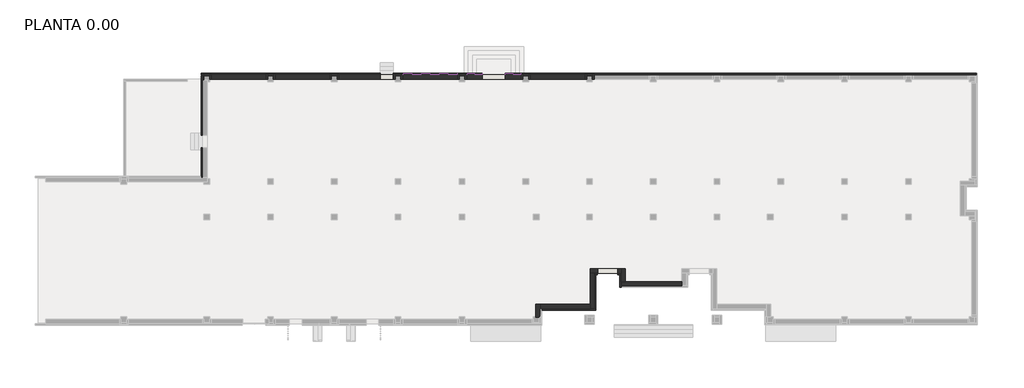
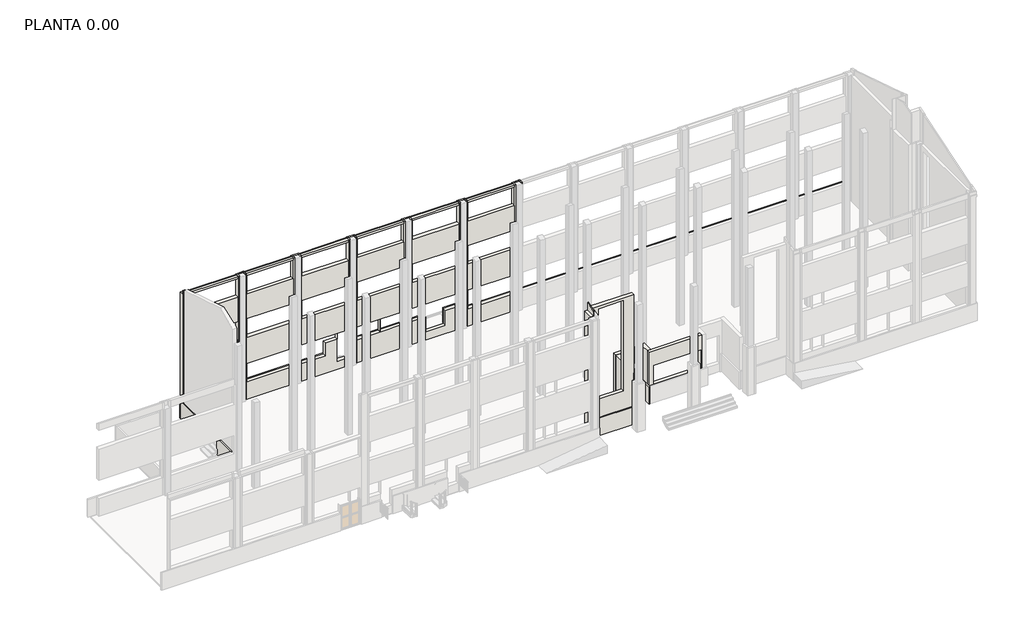
# One storey, part 3 of 6: 43 walls.
"""IFC4 building model written with IfcOpenShell, lengths in millimetres."""

import ifcopenshell
import ifcopenshell.guid

model = None  # the IFC model being written
_history = None  # IfcOwnerHistory: only IFC2X3 demands one
_inside = {}  # id of a spatial element -> (the spatial element, [elements in it])
_under = {}  # id of a project, library or spatial element -> (it, [spatial elements below it])
_declared = {}  # id of a project -> (the project, [libraries it declares])
_typed = {}  # id of a type object -> (the type object, [elements of that type])
_made_of = {}  # id of a material, layer set ... -> (it, [elements and type objects made of it])


def new_model(schema):
    """Start an empty IFC model of exactly this schema.

    Asked for "IFC4X3", IfcOpenShell would pick the latest addendum, in which some entities
    have other attributes; the version numbers below select the first issue.
    IFC2X3 requires an IfcOwnerHistory on every rooted entity: one is made here for all.
    """
    global model, _history
    if schema == "IFC4X3":
        model = ifcopenshell.file(schema_version=(4, 3, 0, 0))
    else:
        model = ifcopenshell.file(schema=schema)
    _inside.clear()
    _under.clear()
    _declared.clear()
    _typed.clear()
    _made_of.clear()
    _history = None
    if model.schema == "IFC2X3":
        org = make("IfcOrganization", Name="unknown")
        user = make(
            "IfcPersonAndOrganization",
            ThePerson=make("IfcPerson", FamilyName="unknown"),
            TheOrganization=org,
        )
        app = make(
            "IfcApplication",
            ApplicationDeveloper=org,
            Version="unknown",
            ApplicationFullName="unknown",
            ApplicationIdentifier="unknown",
        )
        _history = make(
            "IfcOwnerHistory",
            OwningUser=user,
            OwningApplication=app,
            ChangeAction="ADDED",
            CreationDate=0,
        )
    return model


def make(cls, **values):
    """One entity of the class cls with the attributes given. An attribute that is None is left unset."""
    return model.create_entity(
        cls, **{name: value for name, value in values.items() if value is not None}
    )


def rooted(cls, **values):
    """An entity with a GlobalId (a new one), such as an element, a storey or a relation."""
    return make(cls, GlobalId=ifcopenshell.guid.new(), OwnerHistory=_history, **values)


def si_unit(unit_type, name, prefix=None):
    """IfcSIUnit, for example si_unit("LENGTHUNIT", "METRE", prefix="MILLI")."""
    return make("IfcSIUnit", UnitType=unit_type, Prefix=prefix, Name=name)


def assignment(units):
    """IfcUnitAssignment: the units of a project."""
    return None if units is None else make("IfcUnitAssignment", Units=units)


def point(xyz):
    """IfcCartesianPoint."""
    return None if xyz is None else make("IfcCartesianPoint", Coordinates=xyz)


def direction(xyz):
    """IfcDirection."""
    return None if xyz is None else make("IfcDirection", DirectionRatios=xyz)


def frame(location, z_axis=None, x_axis=None):
    """IfcAxis2Placement3D, a coordinate frame: its origin and axes. An axis left out is left unset."""
    return make(
        "IfcAxis2Placement3D",
        Location=point(location),
        Axis=direction(z_axis),
        RefDirection=direction(x_axis),
    )


def origin():
    """The frame at (0, 0, 0) with its axes left unset."""
    return frame((0.0, 0.0, 0.0))


def origin_with_axes():
    """The frame at (0, 0, 0) with the z axis (0, 0, 1) and the x axis (1, 0, 0) written out."""
    return frame((0.0, 0.0, 0.0), z_axis=(0.0, 0.0, 1.0), x_axis=(1.0, 0.0, 0.0))


def place(relative_to, where):
    """IfcLocalPlacement: puts the frame where relative to a parent placement (None: the world)."""
    return make(
        "IfcLocalPlacement", PlacementRelTo=relative_to, RelativePlacement=where
    )


def context(
    kind, dimensions, precision=None, world=None, true_north=None, identifier=None
):
    """IfcGeometricRepresentationContext, for example the 3D "Model" context."""
    return make(
        "IfcGeometricRepresentationContext",
        ContextIdentifier=identifier,
        ContextType=kind,
        CoordinateSpaceDimension=dimensions,
        Precision=precision,
        WorldCoordinateSystem=world,
        TrueNorth=true_north,
    )


def project(units=None, contexts=None):
    """IfcProject with its units and contexts."""
    return rooted(
        "IfcProject",
        Name="project",
        RepresentationContexts=contexts,
        UnitsInContext=assignment(units),
    )


def spatial(cls, under=None, at=None, **own):
    """A site, building, storey or space (cls), placed at a placement, below another one or the project."""
    s = rooted(cls, ObjectPlacement=at, **own)
    if under is not None:
        _under.setdefault(under.id(), (under, []))[1].append(s)
    return s


def polyline(points):
    """IfcPolyline through the points."""
    return make("IfcPolyline", Points=[point(p) for p in points])


def outline(outer, holes=None, kind="AREA"):
    """IfcArbitraryClosedProfileDef: a profile drawn as a closed curve; with holes, ...WithVoids."""
    if holes is None:
        return make("IfcArbitraryClosedProfileDef", ProfileType=kind, OuterCurve=outer)
    return make(
        "IfcArbitraryProfileDefWithVoids",
        ProfileType=kind,
        OuterCurve=outer,
        InnerCurves=holes,
    )


def extrude(swept, where, along, depth):
    """IfcExtrudedAreaSolid: the profile swept, set in the frame where, extruded along a direction by depth."""
    return make(
        "IfcExtrudedAreaSolid",
        SweptArea=swept,
        Position=where,
        ExtrudedDirection=direction(along),
        Depth=depth,
    )


def faces_of(points, faces, orient=None, outer=None):
    """IfcFace entities. A face is a list of loops; a loop is a list of indices into points, from 0.

    orient and outer hold one flag for each loop. By default every Orientation is true, the
    first loop of a face is its IfcFaceOuterBound and the others are IfcFaceBound.
    """
    made = []
    for i, loops in enumerate(faces):
        bounds = []
        for j, loop in enumerate(loops):
            is_outer = j == 0 if outer is None else outer[i][j]
            bounds.append(
                make(
                    "IfcFaceOuterBound" if is_outer else "IfcFaceBound",
                    Bound=make("IfcPolyLoop", Polygon=[points[k] for k in loop]),
                    Orientation=True if orient is None else orient[i][j],
                )
            )
        made.append(make("IfcFace", Bounds=bounds))
    return made


def faceted_brep(points, faces, orient=None, outer=None, voids=None):
    """IfcFacetedBrep: a solid bounded by flat faces; with voids (closed shells), ...WithVoids."""
    shared = [point(p) for p in points]
    hull = make("IfcClosedShell", CfsFaces=faces_of(shared, faces, orient, outer))
    if voids is None:
        return make("IfcFacetedBrep", Outer=hull)
    return make(
        "IfcFacetedBrepWithVoids",
        Outer=hull,
        Voids=[
            make(cls, CfsFaces=faces_of(shared, fs, o, b)) for cls, fs, o, b in voids
        ],
    )


def shape(context_of_items, identifier, shape_type, items):
    """IfcShapeRepresentation: the items that make up one representation, for example the "Body"."""
    return make(
        "IfcShapeRepresentation",
        ContextOfItems=context_of_items,
        RepresentationIdentifier=identifier,
        RepresentationType=shape_type,
        Items=items,
    )


def made_of(thing, what):
    """Note that an element or type object is made of a material, layer set ...; save() writes the relation."""
    if what is not None:
        _made_of.setdefault(what.id(), (what, []))[1].append(thing)
    return thing


def element(
    cls,
    number,
    at=None,
    inside=None,
    cuts=None,
    type_object=None,
    material=None,
    context=None,
    identifier="Body",
    shape_type=None,
    held_by="IfcProductDefinitionShape",
    body=None,
    shapes=None,
    **own,
):
    """One element of the class cls, such as IfcWall. Its Tag is "e" and its number.

    at: its placement. inside: the storey or other place that contains it. cuts: it is an
    opening in that element (IfcRelVoidsElement). A single representation is given by context,
    identifier, shape_type and body (its items); several are given by shapes. held_by: the class
    of the entity that holds the representations. save() writes the other relations.
    """
    e = rooted(cls, Tag="e%d" % number, ObjectPlacement=at, **own)
    if body is not None:
        shapes = [shape(context, identifier, shape_type, body)]
    if shapes is not None:
        e.Representation = make(held_by, Representations=shapes)
    if inside is not None:
        _inside.setdefault(inside.id(), (inside, []))[1].append(e)
    if cuts is not None:
        rooted(
            "IfcRelVoidsElement", RelatingBuildingElement=cuts, RelatedOpeningElement=e
        )
    if type_object is not None:
        _typed.setdefault(type_object.id(), (type_object, []))[1].append(e)
    return made_of(e, material)


def aggregate(whole, parts):
    """IfcRelAggregates: a whole, such as a stair, and the parts it consists of."""
    return rooted("IfcRelAggregates", RelatingObject=whole, RelatedObjects=parts)


def save(model, path):
    """Write the relations noted so far, then the file.

    IfcRelAggregates (storeys below a building ...), IfcRelContainedInSpatialStructure (elements
    in a storey), IfcRelDefinesByType, IfcRelAssociatesMaterial and IfcRelDeclares: one each for
    every whole, place, type object, material and project.
    """
    for whole, parts in _under.values():
        aggregate(whole, parts)
    for where, things in _inside.values():
        rooted(
            "IfcRelContainedInSpatialStructure",
            RelatedElements=things,
            RelatingStructure=where,
        )
    for kind, things in _typed.values():
        rooted("IfcRelDefinesByType", RelatedObjects=things, RelatingType=kind)
    for what, things in _made_of.values():
        rooted("IfcRelAssociatesMaterial", RelatedObjects=things, RelatingMaterial=what)
    for by, libraries in _declared.values():
        rooted("IfcRelDeclares", RelatingContext=by, RelatedDefinitions=libraries)
    model.write(path)


model = new_model("IFC4")

# Units and contexts
model_context = context("Model", 3, world=origin())
ifc_project = project(units=[si_unit("LENGTHUNIT", "METRE", prefix="MILLI")], contexts=[model_context])

# Site, building, storey
site = spatial("IfcSite", under=ifc_project)
building = spatial("IfcBuilding", under=site)
storey = spatial("IfcBuildingStorey", under=building, Name="PLANTA 0.00", Elevation=0.0)

# Walls
placement = place(None, origin())
element("IfcWall", 1, at=placement, inside=storey, context=model_context, shape_type="Brep", body=[
    faceted_brep([(-7880.0, 180.0, 0.0), (-4060.0, 180.0, 0.0), (-4060.0, 180.0, 1500.0), (-7880.0, 180.0, 1500.0), (-7880.0, 280.0, 0.0), (-7880.0, 280.0, 1500.0), (-4160.0, 280.0, 1500.0), (-4060.0, 280.0, 1500.0), (-4060.0, 280.0, 0.0), (-4160.0, 280.0, 0.0)], [[[0, 1, 2, 3]], [[4, 5, 6, 7, 8, 9]], [[1, 0, 4, 9, 8]], [[3, 2, 7, 6, 5]], [[0, 3, 5, 4]], [[2, 1, 8, 7]]]),
])
element("IfcWall", 2, at=placement, inside=storey, context=model_context, shape_type="SweptSolid", body=[
    extrude(outline(polyline([(-4060.0, 2682.8913181), (-4060.0, 280.0), (-4160.0, 280.0), (-4160.0, 2682.8913181), (-4060.0, 2682.8913181)])), origin_with_axes(), (0.0, 0.0, 1.0), 1500.0),
])
element("IfcWall", 3, at=placement, inside=storey, context=model_context, shape_type="Brep", body=[
    faceted_brep([(-4160.0, 2682.8913181, 0.0), (-4060.0, 2682.8913181, 0.0), (-3935.0, 2682.8913181, 0.0), (-3935.0, 2682.8913181, 1500.0), (-4060.0, 2682.8913181, 1500.0), (-4160.0, 2682.8913181, 1500.0), (-4160.0, 2782.8913181, 0.0), (-4160.0, 2782.8913181, 1500.0), (-3935.0, 2782.8913181, 1500.0), (-3935.0, 2782.8913181, 0.0)], [[[0, 1, 2, 3, 4, 5]], [[6, 7, 8, 9]], [[2, 1, 0, 6, 9]], [[3, 2, 9, 8]], [[5, 4, 3, 8, 7]], [[0, 5, 7, 6]]]),
])
element("IfcWall", 4, at=placement, inside=storey, context=model_context, shape_type="Brep", body=[
    faceted_brep([(-2489.6157642, 2680.0, 0.0), (-2370.0, 2680.0, 0.0), (-2270.0, 2680.0, 0.0), (-2270.0, 2680.0, 1500.0), (-2370.0, 2680.0, 1500.0), (-2489.6157642, 2680.0, 1500.0), (-2489.6157642, 2780.0, 0.0), (-2489.6157642, 2780.0, 1500.0), (-2270.0, 2780.0, 1500.0), (-2270.0, 2780.0, 0.0)], [[[0, 1, 2, 3, 4, 5]], [[6, 7, 8, 9]], [[2, 1, 0, 6, 9]], [[5, 4, 3, 8, 7]], [[0, 5, 7, 6]], [[3, 2, 9, 8]]]),
])
element("IfcWall", 5, at=placement, inside=storey, context=model_context, shape_type="Brep", body=[
    faceted_brep([(-2370.0, 2680.0, 0.0), (-2370.0, 1780.0, 0.0), (-2370.0, 1780.0, 1500.0), (-2370.0, 2680.0, 1500.0), (-2270.0, 2680.0, 0.0), (-2270.0, 2680.0, 1500.0), (-2270.0, 1880.0, 1500.0), (-2270.0, 1780.0, 1500.0), (-2270.0, 1780.0, 0.0), (-2270.0, 1880.0, 0.0)], [[[0, 1, 2, 3]], [[4, 5, 6, 7, 8, 9]], [[1, 0, 4, 9, 8]], [[3, 2, 7, 6, 5]], [[0, 3, 5, 4]], [[2, 1, 8, 7]]]),
])
element("IfcWall", 6, at=placement, inside=storey, context=model_context, shape_type="SweptSolid", body=[
    extrude(outline(polyline([(0.0, -31870.0), (0.0, 22770.0), (1500.0, 22770.0), (1500.0, -10450.2093995), (653.6823567, -10450.2093995), (653.6823567, -12052.8800958), (1500.0, -12052.8800958), (1500.0, -18355.0), (515.0, -18355.0), (515.0, -19255.0), (1500.0, -19255.0), (1500.0, -31870.0), (0.0, -31870.0)])), frame((0.0, 16770.0, 0.0), z_axis=(0.0, 1.0, 0.0), x_axis=(0.0, 0.0, 1.0)), (0.0, 0.0, 1.0), 100.0),
])
element("IfcWall", 7, at=placement, inside=storey, context=model_context, shape_type="Brep", body=[
    faceted_brep([(-31870.0, 16700.0, 1500.0), (-31870.0, 16700.0, 0.0), (-31870.0, 12523.2630321, 0.0), (-31870.0, 12523.2630321, 1500.0), (-31770.0, 16700.0, 0.0), (-31770.0, 16700.0, 1500.0), (-31770.0, 12523.2630321, 1500.0), (-31770.0, 12523.2630321, 0.0)], [[[0, 1, 2, 3]], [[4, 5, 6, 7]], [[1, 4, 7, 2]], [[5, 0, 3, 6]], [[1, 0, 5, 4]], [[3, 2, 7, 6]]]),
    faceted_brep([(-31870.0, 9520.0360393, 0.0), (-31870.0, 9520.0360393, 1500.0), (-31870.0, 9620.0360393, 1500.0), (-31870.0, 11623.2630321, 1500.0), (-31870.0, 11623.2630321, 0.0), (-31870.0, 9620.0360393, 0.0), (-31770.0, 9520.0360393, 1500.0), (-31770.0, 9520.0360393, 0.0), (-31770.0, 11623.2630321, 0.0), (-31770.0, 11623.2630321, 1500.0)], [[[0, 1, 2, 3, 4, 5]], [[6, 7, 8, 9]], [[7, 0, 5, 4, 8]], [[1, 6, 9, 3, 2]], [[1, 0, 7, 6]], [[4, 3, 9, 8]]]),
])
element("IfcWall", 8, ObjectType="ME1_13 cm", at=placement, inside=storey, context=model_context, shape_type="Brep", body=[
    faceted_brep([(-31700.0, 16385.0, 0.0), (-31700.0, 16700.0, 0.0), (-31700.0, 16830.0, 0.0), (-31700.0, 16830.0, 10840.0), (-31700.0, 16700.0, 10840.0), (-31700.0, 16500.0, 10840.0), (-31700.0, 16500.0, 11192.3), (-31700.0, 16385.0, 11227.95), (-31830.0, 16385.0, 0.0), (-31830.0, 16385.0, 11227.95), (-31830.0, 16500.0, 11192.3), (-31830.0, 16500.0, 10840.0), (-31830.0, 16830.0, 10840.0), (-31830.0, 16830.0, 0.0), (-31770.0, 16385.0, 0.0), (-31770.0, 16385.0, 11227.95)], [[[0, 1, 2, 3, 4, 5, 6, 7]], [[8, 9, 10, 11, 12, 13]], [[2, 1, 0, 14, 8, 13]], [[0, 7, 15, 9, 8, 14]], [[3, 2, 13, 12]], [[5, 4, 3, 12, 11]], [[5, 11, 10, 6]], [[7, 6, 10, 9, 15]]]),
])
element("IfcWall", 9, ObjectType="ME1_13 cm", at=placement, inside=storey, context=model_context, shape_type="SweptSolid", body=[
    extrude(outline(polyline([(-31300.0, 16700.0), (-31700.0, 16700.0), (-31700.0, 16830.0), (-31300.0, 16830.0), (-31300.0, 16700.0)])), origin_with_axes(), (0.0, 0.0, 1.0), 10840.0),
])
element("IfcWall", 10, ObjectType="ME1_13 cm", at=placement, inside=storey, context=model_context, shape_type="Brep", body=[
    faceted_brep([(-31300.0, 16830.0, 0.0), (-31300.0, 16700.0, 0.0), (-31300.0, 16470.0, 0.0), (-31300.0, 16470.0, 10840.0), (-31300.0, 16700.0, 10840.0), (-31300.0, 16830.0, 10840.0), (-31170.0, 16830.0, 0.0), (-31170.0, 16830.0, 10840.0), (-31170.0, 16770.0, 10840.0), (-31170.0, 16700.0, 10840.0), (-31170.0, 16470.0, 10840.0), (-31170.0, 16470.0, 0.0), (-31170.0, 16770.0, 0.0)], [[[0, 1, 2, 3, 4, 5]], [[6, 7, 8, 9, 10, 11, 12]], [[2, 1, 0, 6, 12, 11]], [[0, 5, 7, 6]], [[3, 2, 11, 10]], [[5, 4, 9, 8, 7]], [[4, 3, 10, 9]]]),
])
element("IfcWall", 11, ObjectType="ME1_13 cm", at=placement, inside=storey, context=model_context, shape_type="Brep", body=[
    faceted_brep([(-27200.0, 16470.0, 0.0), (-27200.0, 16700.0, 0.0), (-27200.0, 16830.0, 0.0), (-27200.0, 16830.0, 10840.0), (-27200.0, 16700.0, 10840.0), (-27200.0, 16470.0, 10840.0), (-27330.0, 16470.0, 0.0), (-27330.0, 16470.0, 1500.0), (-27330.0, 16470.0, 3100.0), (-27330.0, 16470.0, 5350.0), (-27330.0, 16470.0, 6950.0), (-27330.0, 16470.0, 9063.7791781), (-27330.0, 16470.0, 10663.7791781), (-27330.0, 16470.0, 10840.0), (-27330.0, 16700.0, 10840.0), (-27330.0, 16770.0, 10840.0), (-27330.0, 16830.0, 10840.0), (-27330.0, 16830.0, 0.0), (-27330.0, 16770.0, 0.0)], [[[0, 1, 2, 3, 4, 5]], [[6, 7, 8, 9, 10, 11, 12, 13, 14, 15, 16, 17, 18]], [[2, 1, 0, 6, 18, 17]], [[3, 2, 17, 16]], [[0, 5, 13, 12, 11, 10, 9, 8, 7, 6]], [[4, 3, 16, 15, 14]], [[5, 4, 14, 13]]]),
])
element("IfcWall", 12, ObjectType="ME1_13 cm", at=placement, inside=storey, context=model_context, shape_type="SweptSolid", body=[
    extrude(outline(polyline([(-26800.0, 16700.0), (-27200.0, 16700.0), (-27200.0, 16830.0), (-26800.0, 16830.0), (-26800.0, 16700.0)])), origin_with_axes(), (0.0, 0.0, 1.0), 10840.0),
])
element("IfcWall", 13, ObjectType="ME1_13 cm", at=placement, inside=storey, context=model_context, shape_type="Brep", body=[
    faceted_brep([(-26800.0, 16830.0, 0.0), (-26800.0, 16700.0, 0.0), (-26800.0, 16470.0, 0.0), (-26800.0, 16470.0, 10840.0), (-26800.0, 16700.0, 10840.0), (-26800.0, 16830.0, 10840.0), (-26670.0, 16830.0, 0.0), (-26670.0, 16830.0, 10840.0), (-26670.0, 16770.0, 10840.0), (-26670.0, 16700.0, 10840.0), (-26670.0, 16470.0, 10840.0), (-26670.0, 16470.0, 0.0), (-26670.0, 16770.0, 0.0)], [[[0, 1, 2, 3, 4, 5]], [[6, 7, 8, 9, 10, 11, 12]], [[2, 1, 0, 6, 12, 11]], [[0, 5, 7, 6]], [[3, 2, 11, 10]], [[5, 4, 9, 8, 7]], [[4, 3, 10, 9]]]),
])
element("IfcWall", 14, ObjectType="ME1_13 cm", at=placement, inside=storey, context=model_context, shape_type="Brep", body=[
    faceted_brep([(-22700.0, 16470.0, 0.0), (-22700.0, 16700.0, 0.0), (-22700.0, 16830.0, 0.0), (-22700.0, 16830.0, 10840.0), (-22700.0, 16700.0, 10840.0), (-22700.0, 16470.0, 10840.0), (-22830.0, 16470.0, 0.0), (-22830.0, 16470.0, 2200.0), (-22830.0, 16470.0, 3300.0), (-22830.0, 16470.0, 5350.0), (-22830.0, 16470.0, 6950.0), (-22830.0, 16470.0, 9000.0), (-22830.0, 16470.0, 10600.0), (-22830.0, 16470.0, 10840.0), (-22830.0, 16700.0, 10840.0), (-22830.0, 16770.0, 10840.0), (-22830.0, 16830.0, 10840.0), (-22830.0, 16830.0, 0.0), (-22830.0, 16770.0, 0.0)], [[[0, 1, 2, 3, 4, 5]], [[6, 7, 8, 9, 10, 11, 12, 13, 14, 15, 16, 17, 18]], [[2, 1, 0, 6, 18, 17]], [[3, 2, 17, 16]], [[0, 5, 13, 12, 11, 10, 9, 8, 7, 6]], [[4, 3, 16, 15, 14]], [[5, 4, 14, 13]]]),
])
element("IfcWall", 15, ObjectType="ME1_13 cm", at=placement, inside=storey, context=model_context, shape_type="SweptSolid", body=[
    extrude(outline(polyline([(-22300.0, 16700.0), (-22700.0, 16700.0), (-22700.0, 16830.0), (-22300.0, 16830.0), (-22300.0, 16700.0)])), origin_with_axes(), (0.0, 0.0, 1.0), 10840.0),
])
element("IfcWall", 16, ObjectType="ME1_13 cm", at=placement, inside=storey, context=model_context, shape_type="Brep", body=[
    faceted_brep([(-22300.0, 16830.0, 0.0), (-22300.0, 16700.0, 0.0), (-22300.0, 16470.0, 0.0), (-22300.0, 16470.0, 10840.0), (-22300.0, 16700.0, 10840.0), (-22300.0, 16830.0, 10840.0), (-22170.0, 16830.0, 0.0), (-22170.0, 16830.0, 10840.0), (-22170.0, 16770.0, 10840.0), (-22170.0, 16700.0, 10840.0), (-22170.0, 16470.0, 10840.0), (-22170.0, 16470.0, 3300.0), (-22170.0, 16470.0, 2200.0), (-22170.0, 16470.0, 0.0), (-22170.0, 16770.0, 0.0)], [[[0, 1, 2, 3, 4, 5]], [[6, 7, 8, 9, 10, 11, 12, 13, 14]], [[2, 1, 0, 6, 14, 13]], [[0, 5, 7, 6]], [[3, 2, 13, 12, 11, 10]], [[5, 4, 9, 8, 7]], [[4, 3, 10, 9]]]),
])
element("IfcWall", 17, ObjectType="ME1_13 cm", at=placement, inside=storey, context=model_context, shape_type="Brep", body=[
    faceted_brep([(-18200.0, 16470.0, 0.0), (-18200.0, 16700.0, 0.0), (-18200.0, 16830.0, 0.0), (-18200.0, 16830.0, 10840.0), (-18200.0, 16700.0, 10840.0), (-18200.0, 16470.0, 10840.0), (-18330.0, 16470.0, 0.0), (-18330.0, 16470.0, 2200.0), (-18330.0, 16470.0, 3300.0), (-18330.0, 16470.0, 5350.0), (-18330.0, 16470.0, 6950.0), (-18330.0, 16470.0, 9000.0), (-18330.0, 16470.0, 10600.0), (-18330.0, 16470.0, 10840.0), (-18330.0, 16700.0, 10840.0), (-18330.0, 16770.0, 10840.0), (-18330.0, 16830.0, 10840.0), (-18330.0, 16830.0, 0.0), (-18330.0, 16770.0, 0.0)], [[[0, 1, 2, 3, 4, 5]], [[6, 7, 8, 9, 10, 11, 12, 13, 14, 15, 16, 17, 18]], [[2, 1, 0, 6, 18, 17]], [[3, 2, 17, 16]], [[0, 5, 13, 12, 11, 10, 9, 8, 7, 6]], [[4, 3, 16, 15, 14]], [[5, 4, 14, 13]]]),
])
element("IfcWall", 18, ObjectType="ME1_13 cm", at=placement, inside=storey, context=model_context, shape_type="SweptSolid", body=[
    extrude(outline(polyline([(-17800.0, 16700.0), (-18200.0, 16700.0), (-18200.0, 16830.0), (-17800.0, 16830.0), (-17800.0, 16700.0)])), origin_with_axes(), (0.0, 0.0, 1.0), 10840.0),
])
element("IfcWall", 19, ObjectType="ME1_13 cm", at=placement, inside=storey, context=model_context, shape_type="Brep", body=[
    faceted_brep([(-17800.0, 16830.0, 0.0), (-17800.0, 16700.0, 0.0), (-17800.0, 16470.0, 0.0), (-17800.0, 16470.0, 10840.0), (-17800.0, 16700.0, 10840.0), (-17800.0, 16830.0, 10840.0), (-17670.0, 16830.0, 0.0), (-17670.0, 16830.0, 10840.0), (-17670.0, 16770.0, 10840.0), (-17670.0, 16700.0, 10840.0), (-17670.0, 16470.0, 10840.0), (-17670.0, 16470.0, 3100.0), (-17670.0, 16470.0, 2000.0), (-17670.0, 16470.0, 0.0), (-17670.0, 16770.0, 0.0)], [[[0, 1, 2, 3, 4, 5]], [[6, 7, 8, 9, 10, 11, 12, 13, 14]], [[2, 1, 0, 6, 14, 13]], [[0, 5, 7, 6]], [[3, 2, 13, 12, 11, 10]], [[5, 4, 9, 8, 7]], [[4, 3, 10, 9]]]),
])
element("IfcWall", 20, ObjectType="ME1_13 cm", at=placement, inside=storey, context=model_context, shape_type="Brep", body=[
    faceted_brep([(-13700.0, 16470.0, 0.0), (-13700.0, 16700.0, 0.0), (-13700.0, 16830.0, 0.0), (-13700.0, 16830.0, 10840.0), (-13700.0, 16700.0, 10840.0), (-13700.0, 16470.0, 10840.0), (-13830.0, 16830.0, 0.0), (-13830.0, 16770.0, 0.0), (-13830.0, 16470.0, 0.0), (-13830.0, 16470.0, 2000.0), (-13830.0, 16770.0, 2000.0), (-13830.0, 16770.0, 3100.0), (-13830.0, 16470.0, 3100.0), (-13830.0, 16470.0, 5350.0), (-13830.0, 16470.0, 6950.0), (-13830.0, 16470.0, 9063.7791781), (-13830.0, 16470.0, 10663.7791781), (-13830.0, 16470.0, 10840.0), (-13830.0, 16700.0, 10840.0), (-13830.0, 16770.0, 10840.0), (-13830.0, 16830.0, 10840.0), (-13829.6373005, 16470.0, 3100.0), (-13829.6373005, 16470.0, 2000.0), (-13829.6373005, 16770.0, 2000.0), (-13829.6373005, 16770.0, 3100.0)], [[[0, 1, 2, 3, 4, 5]], [[6, 7, 8, 9, 10, 11, 12, 13, 14, 15, 16, 17, 18, 19, 20]], [[2, 1, 0, 8, 7, 6]], [[3, 2, 6, 20]], [[0, 5, 17, 16, 15, 14, 13, 12, 21, 22, 9, 8]], [[3, 20, 19, 18, 4]], [[5, 4, 18, 17]], [[23, 24, 11, 10]], [[24, 23, 22, 21]], [[24, 21, 12, 11]], [[22, 23, 10, 9]]]),
])
element("IfcWall", 21, ObjectType="ME1_13 cm", at=placement, inside=storey, context=model_context, shape_type="SweptSolid", body=[
    extrude(outline(polyline([(-13300.0, 16700.0), (-13700.0, 16700.0), (-13700.0, 16830.0), (-13300.0, 16830.0), (-13300.0, 16700.0)])), origin_with_axes(), (0.0, 0.0, 1.0), 10840.0),
])
element("IfcWall", 22, ObjectType="ME1_13 cm", at=placement, inside=storey, context=model_context, shape_type="Brep", body=[
    faceted_brep([(-13300.0, 16830.0, 0.0), (-13300.0, 16700.0, 0.0), (-13300.0, 16470.0, 0.0), (-13300.0, 16470.0, 10840.0), (-13300.0, 16700.0, 10840.0), (-13300.0, 16830.0, 10840.0), (-13170.0, 16830.0, 0.0), (-13170.0, 16830.0, 10840.0), (-13170.0, 16770.0, 10840.0), (-13170.0, 16700.0, 10840.0), (-13170.0, 16470.0, 10840.0), (-13170.0, 16470.0, 3100.0), (-13170.0, 16470.0, 2000.0), (-13170.0, 16470.0, 0.0), (-13170.0, 16770.0, 0.0)], [[[0, 1, 2, 3, 4, 5]], [[6, 7, 8, 9, 10, 11, 12, 13, 14]], [[2, 1, 0, 6, 14, 13]], [[0, 5, 7, 6]], [[3, 2, 13, 12, 11, 10]], [[5, 4, 9, 8, 7]], [[4, 3, 10, 9]]]),
])
element("IfcWall", 23, ObjectType="ME1_13 cm", at=placement, inside=storey, context=model_context, shape_type="Brep", body=[
    faceted_brep([(-9200.0, 16470.0, 0.0), (-9200.0, 16700.0, 0.0), (-9200.0, 16830.0, 0.0), (-9200.0, 16830.0, 10840.0), (-9200.0, 16700.0, 10840.0), (-9200.0, 16470.0, 10840.0), (-9330.0, 16470.0, 0.0), (-9330.0, 16470.0, 2000.0), (-9330.0, 16470.0, 3100.0), (-9330.0, 16470.0, 5350.0), (-9330.0, 16470.0, 6950.0), (-9330.0, 16470.0, 9063.7791781), (-9330.0, 16470.0, 10663.7791781), (-9330.0, 16470.0, 10840.0), (-9330.0, 16700.0, 10840.0), (-9330.0, 16770.0, 10840.0), (-9330.0, 16830.0, 10840.0), (-9330.0, 16830.0, 0.0), (-9330.0, 16770.0, 0.0)], [[[0, 1, 2, 3, 4, 5]], [[6, 7, 8, 9, 10, 11, 12, 13, 14, 15, 16, 17, 18]], [[2, 1, 0, 6, 18, 17]], [[3, 2, 17, 16]], [[0, 5, 13, 12, 11, 10, 9, 8, 7, 6]], [[4, 3, 16, 15, 14]], [[5, 4, 14, 13]]]),
])
element("IfcWall", 24, ObjectType="ME1_13 cm", at=placement, inside=storey, context=model_context, shape_type="SweptSolid", body=[
    extrude(outline(polyline([(-8800.0, 16700.0), (-9200.0, 16700.0), (-9200.0, 16830.0), (-8800.0, 16830.0), (-8800.0, 16700.0)])), origin_with_axes(), (0.0, 0.0, 1.0), 10840.0),
])
element("IfcWall", 25, ObjectType="ME1_13 cm", at=placement, inside=storey, context=model_context, shape_type="Brep", body=[
    faceted_brep([(-8800.0, 16830.0, 0.0), (-8800.0, 16700.0, 0.0), (-8800.0, 16470.0, 0.0), (-8800.0, 16470.0, 10840.0), (-8800.0, 16700.0, 10840.0), (-8800.0, 16830.0, 10840.0), (-8670.0, 16830.0, 0.0), (-8670.0, 16830.0, 10840.0), (-8670.0, 16770.0, 10840.0), (-8670.0, 16700.0, 10840.0), (-8670.0, 16470.0, 10840.0), (-8670.0, 16470.0, 0.0), (-8670.0, 16770.0, 0.0)], [[[0, 1, 2, 3, 4, 5]], [[6, 7, 8, 9, 10, 11, 12]], [[2, 1, 0, 6, 12, 11]], [[0, 5, 7, 6]], [[3, 2, 11, 10]], [[5, 4, 9, 8, 7]], [[4, 3, 10, 9]]]),
])
element("IfcWall", 26, ObjectType="ME1_13 cm", at=placement, inside=storey, context=model_context, shape_type="Brep", body=[
    faceted_brep([(-4700.0, 16470.0, 0.0), (-4700.0, 16700.0, 0.0), (-4700.0, 16830.0, 0.0), (-4700.0, 16830.0, 10840.0), (-4700.0, 16700.0, 10840.0), (-4700.0, 16470.0, 10840.0), (-4830.0, 16470.0, 0.0), (-4830.0, 16470.0, 1700.0), (-4830.0, 16470.0, 3300.0), (-4830.0, 16470.0, 5350.0), (-4830.0, 16470.0, 6950.0), (-4830.0, 16470.0, 9000.0), (-4830.0, 16470.0, 10600.0), (-4830.0, 16470.0, 10840.0), (-4830.0, 16700.0, 10840.0), (-4830.0, 16770.0, 10840.0), (-4830.0, 16830.0, 10840.0), (-4830.0, 16830.0, 0.0), (-4830.0, 16770.0, 0.0)], [[[0, 1, 2, 3, 4, 5]], [[6, 7, 8, 9, 10, 11, 12, 13, 14, 15, 16, 17, 18]], [[2, 1, 0, 6, 18, 17]], [[3, 2, 17, 16]], [[0, 5, 13, 12, 11, 10, 9, 8, 7, 6]], [[4, 3, 16, 15, 14]], [[5, 4, 14, 13]]]),
])
element("IfcWall", 27, ObjectType="ME1_13 cm", at=placement, inside=storey, context=model_context, shape_type="SweptSolid", body=[
    extrude(outline(polyline([(-4300.0, 16700.0), (-4700.0, 16700.0), (-4700.0, 16830.0), (-4300.0, 16830.0), (-4300.0, 16700.0)])), origin_with_axes(), (0.0, 0.0, 1.0), 10840.0),
])
element("IfcWall", 28, ObjectType="ME1_13 cm", at=placement, inside=storey, context=model_context, shape_type="Brep", body=[
    faceted_brep([(-4300.0, 16830.0, 0.0), (-4300.0, 16700.0, 0.0), (-4300.0, 16470.0, 0.0), (-4300.0, 16470.0, 10840.0), (-4300.0, 16700.0, 10840.0), (-4300.0, 16830.0, 10840.0), (-4170.0, 16830.0, 0.0), (-4170.0, 16830.0, 10840.0), (-4170.0, 16770.0, 10840.0), (-4170.0, 16700.0, 10840.0), (-4170.0, 16470.0, 10840.0), (-4170.0, 16470.0, 0.0), (-4170.0, 16770.0, 0.0)], [[[0, 1, 2, 3, 4, 5]], [[6, 7, 8, 9, 10, 11, 12]], [[2, 1, 0, 6, 12, 11]], [[0, 5, 7, 6]], [[3, 2, 11, 10]], [[5, 4, 9, 8, 7]], [[4, 3, 10, 9]]]),
])
element("IfcWall", 29, ObjectType="ME4_30 cm", at=placement, inside=storey, context=model_context, shape_type="Brep", body=[
    faceted_brep([(-31170.0, 16470.0, 0.0), (-27330.0, 16470.0, 0.0), (-27330.0, 16470.0, 1500.0), (-31130.0, 16470.0, 1500.0), (-31130.0, 16470.0, 3100.0), (-27330.0, 16470.0, 3100.0), (-27330.0, 16470.0, 5350.0), (-31130.0, 16470.0, 5350.0), (-31130.0, 16470.0, 6950.0), (-27330.0, 16470.0, 6950.0), (-27330.0, 16470.0, 9063.7791781), (-31130.0, 16470.0, 9063.7791781), (-31130.0, 16470.0, 10663.7791781), (-27330.0, 16470.0, 10663.7791781), (-27330.0, 16470.0, 10840.0), (-31170.0, 16470.0, 10840.0), (-27330.0, 16770.0, 0.0), (-31170.0, 16770.0, 0.0), (-31170.0, 16770.0, 10840.0), (-27330.0, 16770.0, 10840.0), (-27330.0, 16770.0, 10663.7791781), (-31130.0, 16770.0, 10663.7791781), (-31130.0, 16770.0, 9063.7791781), (-27330.0, 16770.0, 9063.7791781), (-27330.0, 16770.0, 6950.0), (-31130.0, 16770.0, 6950.0), (-31130.0, 16770.0, 5350.0), (-27330.0, 16770.0, 5350.0), (-27330.0, 16770.0, 3100.0), (-31130.0, 16770.0, 3100.0), (-31130.0, 16770.0, 1500.0), (-27330.0, 16770.0, 1500.0), (-31170.0, 16700.0, 10840.0), (-27330.0, 16700.0, 10840.0)], [[[0, 1, 2, 3, 4, 5, 6, 7, 8, 9, 10, 11, 12, 13, 14, 15]], [[16, 17, 18, 19, 20, 21, 22, 23, 24, 25, 26, 27, 28, 29, 30, 31]], [[1, 0, 17, 16]], [[0, 15, 32, 18, 17]], [[1, 16, 31, 2]], [[19, 33, 14, 13, 20]], [[9, 24, 23, 10]], [[27, 6, 5, 28]], [[19, 18, 32, 33]], [[15, 14, 33, 32]], [[8, 7, 26, 25]], [[8, 25, 24, 9]], [[26, 7, 6, 27]], [[12, 11, 22, 21]], [[12, 21, 20, 13]], [[22, 11, 10, 23]], [[4, 3, 30, 29]], [[4, 29, 28, 5]], [[2, 31, 30, 3]]]),
])
element("IfcWall", 30, ObjectType="ME4_30 cm", at=placement, inside=storey, context=model_context, shape_type="Brep", body=[
    faceted_brep([(-26670.0, 16470.0, 0.0), (-22830.0, 16470.0, 0.0), (-22830.0, 16470.0, 1500.0), (-26630.0, 16470.0, 1500.0), (-26630.0, 16470.0, 3100.0), (-22830.0, 16470.0, 3100.0), (-22830.0, 16470.0, 5350.0), (-26630.0, 16470.0, 5350.0), (-26630.0, 16470.0, 6950.0), (-22830.0, 16470.0, 6950.0), (-22830.0, 16470.0, 9063.7791781), (-26630.0, 16470.0, 9063.7791781), (-26630.0, 16470.0, 10663.7791781), (-22830.0, 16470.0, 10663.7791781), (-22830.0, 16470.0, 10840.0), (-26670.0, 16470.0, 10840.0), (-22830.0, 16770.0, 0.0), (-26670.0, 16770.0, 0.0), (-26670.0, 16770.0, 10840.0), (-22830.0, 16770.0, 10840.0), (-22830.0, 16770.0, 10663.7791781), (-26630.0, 16770.0, 10663.7791781), (-26630.0, 16770.0, 9063.7791781), (-22830.0, 16770.0, 9063.7791781), (-22830.0, 16770.0, 6950.0), (-26630.0, 16770.0, 6950.0), (-26630.0, 16770.0, 5350.0), (-22830.0, 16770.0, 5350.0), (-22830.0, 16770.0, 3100.0), (-26630.0, 16770.0, 3100.0), (-26630.0, 16770.0, 1500.0), (-22830.0, 16770.0, 1500.0), (-26670.0, 16700.0, 10840.0), (-22830.0, 16700.0, 10840.0)], [[[0, 1, 2, 3, 4, 5, 6, 7, 8, 9, 10, 11, 12, 13, 14, 15]], [[16, 17, 18, 19, 20, 21, 22, 23, 24, 25, 26, 27, 28, 29, 30, 31]], [[1, 0, 17, 16]], [[0, 15, 32, 18, 17]], [[1, 16, 31, 2]], [[19, 33, 14, 13, 20]], [[9, 24, 23, 10]], [[27, 6, 5, 28]], [[19, 18, 32, 33]], [[15, 14, 33, 32]], [[8, 7, 26, 25]], [[8, 25, 24, 9]], [[26, 7, 6, 27]], [[12, 11, 22, 21]], [[12, 21, 20, 13]], [[22, 11, 10, 23]], [[4, 3, 30, 29]], [[4, 29, 28, 5]], [[2, 31, 30, 3]]]),
])
element("IfcWall", 31, ObjectType="ME4_30 cm", at=placement, inside=storey, context=model_context, shape_type="Brep", body=[
    faceted_brep([(-22170.0, 16470.0, 0.0), (-18330.0, 16470.0, 0.0), (-18330.0, 16470.0, 5350.0), (-22130.0, 16470.0, 5350.0), (-22130.0, 16470.0, 6950.0), (-18330.0, 16470.0, 6950.0), (-18330.0, 16470.0, 9063.7791781), (-22130.0, 16470.0, 9063.7791781), (-22130.0, 16470.0, 10663.7791781), (-18330.0, 16470.0, 10663.7791781), (-18330.0, 16470.0, 10840.0), (-22170.0, 16470.0, 10840.0), (-18355.0, 16470.0, 3100.0), (-18355.0, 16470.0, 700.0), (-19255.0, 16470.0, 700.0), (-19255.0, 16470.0, 3100.0), (-19255.5, 16470.0, 3100.0), (-19255.5, 16470.0, 2600.0), (-20230.0, 16470.0, 2600.0), (-20230.0, 16470.0, 1500.0), (-22130.0, 16470.0, 1500.0), (-22130.0, 16470.0, 3100.0), (-18330.0, 16770.0, 0.0), (-22170.0, 16770.0, 0.0), (-22170.0, 16770.0, 10840.0), (-18330.0, 16770.0, 10840.0), (-18330.0, 16770.0, 10663.7791781), (-22130.0, 16770.0, 10663.7791781), (-22130.0, 16770.0, 9063.7791781), (-18330.0, 16770.0, 9063.7791781), (-18330.0, 16770.0, 6950.0), (-22130.0, 16770.0, 6950.0), (-22130.0, 16770.0, 5350.0), (-18330.0, 16770.0, 5350.0), (-18355.0, 16770.0, 700.0), (-18355.0, 16770.0, 3100.0), (-19255.0, 16770.0, 3100.0), (-19255.0, 16770.0, 700.0), (-19255.5, 16770.0, 2600.0), (-19255.5, 16770.0, 3100.0), (-22130.0, 16770.0, 3100.0), (-22130.0, 16770.0, 1500.0), (-20230.0, 16770.0, 1500.0), (-20230.0, 16770.0, 2600.0), (-22170.0, 16700.0, 10840.0), (-18330.0, 16700.0, 10840.0)], [[[0, 1, 2, 3, 4, 5, 6, 7, 8, 9, 10, 11], [12, 13, 14, 15], [16, 17, 18, 19, 20, 21]], [[22, 23, 24, 25, 26, 27, 28, 29, 30, 31, 32, 33], [34, 35, 36, 37], [38, 39, 40, 41, 42, 43]], [[1, 0, 23, 22]], [[0, 11, 44, 24, 23]], [[1, 22, 33, 2]], [[25, 45, 10, 9, 26]], [[5, 30, 29, 6]], [[25, 24, 44, 45]], [[11, 10, 45, 44]], [[4, 3, 32, 31]], [[4, 31, 30, 5]], [[32, 3, 2, 33]], [[8, 7, 28, 27]], [[8, 27, 26, 9]], [[28, 7, 6, 29]], [[34, 13, 12, 35]], [[36, 15, 14, 37]], [[34, 37, 14, 13]], [[15, 36, 35, 12]], [[39, 16, 21, 40]], [[16, 39, 38, 17]], [[17, 38, 43, 18]], [[20, 41, 40, 21]], [[42, 19, 18, 43]], [[41, 20, 19, 42]]]),
])
element("IfcWall", 32, ObjectType="ME4_30 cm", at=placement, inside=storey, context=model_context, shape_type="Brep", body=[
    faceted_brep([(-17670.0, 16470.0, 0.0), (-13830.0, 16470.0, 0.0), (-13830.0, 16470.0, 2000.0), (-15749.6373005, 16470.0, 2000.0), (-15749.6373005, 16470.0, 3100.0), (-13830.0, 16470.0, 3100.0), (-13830.0, 16470.0, 5350.0), (-17630.0, 16470.0, 5350.0), (-17630.0, 16470.0, 6950.0), (-13830.0, 16470.0, 6950.0), (-13830.0, 16470.0, 9063.7791781), (-17630.0, 16470.0, 9063.7791781), (-17630.0, 16470.0, 10663.7791781), (-13830.0, 16470.0, 10663.7791781), (-13830.0, 16470.0, 10840.0), (-17670.0, 16470.0, 10840.0), (-17670.0, 16470.0, 3100.0), (-15750.0, 16470.0, 3100.0), (-15750.0, 16470.0, 2000.0), (-17670.0, 16470.0, 2000.0), (-13830.0, 16770.0, 0.0), (-17670.0, 16770.0, 0.0), (-17670.0, 16770.0, 2000.0), (-15750.0, 16770.0, 2000.0), (-15750.0, 16770.0, 3100.0), (-17670.0, 16770.0, 3100.0), (-17670.0, 16770.0, 10840.0), (-13830.0, 16770.0, 10840.0), (-13830.0, 16770.0, 10663.7791781), (-17630.0, 16770.0, 10663.7791781), (-17630.0, 16770.0, 9063.7791781), (-13830.0, 16770.0, 9063.7791781), (-13830.0, 16770.0, 6950.0), (-17630.0, 16770.0, 6950.0), (-17630.0, 16770.0, 5350.0), (-13830.0, 16770.0, 5350.0), (-13830.0, 16770.0, 3100.0), (-15749.6373005, 16770.0, 3100.0), (-15749.6373005, 16770.0, 2000.0), (-13830.0, 16770.0, 2000.0), (-17670.0, 16700.0, 10840.0), (-13830.0, 16700.0, 10840.0)], [[[0, 1, 2, 3, 4, 5, 6, 7, 8, 9, 10, 11, 12, 13, 14, 15, 16, 17, 18, 19]], [[20, 21, 22, 23, 24, 25, 26, 27, 28, 29, 30, 31, 32, 33, 34, 35, 36, 37, 38, 39]], [[1, 0, 21, 20]], [[21, 0, 19, 22]], [[40, 26, 25, 16, 15]], [[1, 20, 39, 2]], [[27, 41, 14, 13, 28]], [[36, 35, 6, 5]], [[9, 32, 31, 10]], [[27, 26, 40, 41]], [[15, 14, 41, 40]], [[8, 7, 34, 33]], [[8, 33, 32, 9]], [[34, 7, 6, 35]], [[12, 11, 30, 29]], [[12, 29, 28, 13]], [[30, 11, 10, 31]], [[23, 18, 17, 24]], [[36, 5, 4, 37]], [[2, 39, 38, 3]], [[37, 4, 3, 38]], [[16, 25, 24, 17]], [[18, 23, 22, 19]]]),
])
element("IfcWall", 33, ObjectType="ME4_30 cm", at=placement, inside=storey, context=model_context, shape_type="Brep", body=[
    faceted_brep([(-13170.0, 16470.0, 0.0), (-9330.0, 16470.0, 0.0), (-9330.0, 16470.0, 2000.0), (-10450.0, 16470.0, 2000.0), (-10450.0, 16470.0, 700.0), (-12050.0, 16470.0, 700.0), (-12050.0, 16470.0, 2000.0), (-13170.0, 16470.0, 2000.0), (-9330.0, 16770.0, 0.0), (-13170.0, 16770.0, 0.0), (-13170.0, 16770.0, 2000.0), (-12050.0, 16770.0, 2000.0), (-12050.0, 16770.0, 700.0), (-10450.0, 16770.0, 700.0), (-10450.0, 16770.0, 2000.0), (-9330.0, 16770.0, 2000.0)], [[[0, 1, 2, 3, 4, 5, 6, 7]], [[8, 9, 10, 11, 12, 13, 14, 15]], [[1, 0, 9, 8]], [[9, 0, 7, 10]], [[1, 8, 15, 2]], [[7, 6, 11, 10]], [[3, 2, 15, 14]], [[5, 12, 11, 6]], [[13, 4, 3, 14]], [[12, 5, 4, 13]]]),
    faceted_brep([(-9330.0, 16470.0, 10840.0), (-13170.0, 16470.0, 10840.0), (-13170.0, 16470.0, 3100.0), (-9330.0, 16470.0, 3100.0), (-9330.0, 16470.0, 5350.0), (-13130.0, 16470.0, 5350.0), (-13130.0, 16470.0, 6950.0), (-9330.0, 16470.0, 6950.0), (-9330.0, 16470.0, 9063.7791781), (-13130.0, 16470.0, 9063.7791781), (-13130.0, 16470.0, 10663.7791781), (-9330.0, 16470.0, 10663.7791781), (-13170.0, 16770.0, 10840.0), (-9330.0, 16770.0, 10840.0), (-9330.0, 16770.0, 10663.7791781), (-13130.0, 16770.0, 10663.7791781), (-13130.0, 16770.0, 9063.7791781), (-9330.0, 16770.0, 9063.7791781), (-9330.0, 16770.0, 6950.0), (-13130.0, 16770.0, 6950.0), (-13130.0, 16770.0, 5350.0), (-9330.0, 16770.0, 5350.0), (-9330.0, 16770.0, 3100.0), (-13170.0, 16770.0, 3100.0), (-13170.0, 16700.0, 10840.0), (-9330.0, 16700.0, 10840.0)], [[[0, 1, 2, 3, 4, 5, 6, 7, 8, 9, 10, 11]], [[12, 13, 14, 15, 16, 17, 18, 19, 20, 21, 22, 23]], [[24, 12, 23, 2, 1]], [[13, 25, 0, 11, 14]], [[3, 22, 21, 4]], [[7, 18, 17, 8]], [[13, 12, 24, 25]], [[1, 0, 25, 24]], [[22, 3, 2, 23]], [[6, 5, 20, 19]], [[6, 19, 18, 7]], [[20, 5, 4, 21]], [[10, 9, 16, 15]], [[10, 15, 14, 11]], [[16, 9, 8, 17]]]),
])
element("IfcWall", 34, ObjectType="ME4_30 cm", at=placement, inside=storey, context=model_context, shape_type="Brep", body=[
    faceted_brep([(-8670.0, 16470.0, 0.0), (-4830.0, 16470.0, 0.0), (-4830.0, 16470.0, 1500.0), (-8630.0, 16470.0, 1500.0), (-8630.0, 16470.0, 3100.0), (-4830.0, 16470.0, 3100.0), (-4830.0, 16470.0, 5350.0), (-8630.0, 16470.0, 5350.0), (-8630.0, 16470.0, 6950.0), (-4830.0, 16470.0, 6950.0), (-4830.0, 16470.0, 9063.7791781), (-8630.0, 16470.0, 9063.7791781), (-8630.0, 16470.0, 10663.7791781), (-4830.0, 16470.0, 10663.7791781), (-4830.0, 16470.0, 10840.0), (-8670.0, 16470.0, 10840.0), (-4830.0, 16770.0, 0.0), (-8670.0, 16770.0, 0.0), (-8670.0, 16770.0, 10840.0), (-4830.0, 16770.0, 10840.0), (-4830.0, 16770.0, 10663.7791781), (-8630.0, 16770.0, 10663.7791781), (-8630.0, 16770.0, 9063.7791781), (-4830.0, 16770.0, 9063.7791781), (-4830.0, 16770.0, 6950.0), (-8630.0, 16770.0, 6950.0), (-8630.0, 16770.0, 5350.0), (-4830.0, 16770.0, 5350.0), (-4830.0, 16770.0, 3100.0), (-8630.0, 16770.0, 3100.0), (-8630.0, 16770.0, 1500.0), (-4830.0, 16770.0, 1500.0), (-8670.0, 16700.0, 10840.0), (-4830.0, 16700.0, 10840.0)], [[[0, 1, 2, 3, 4, 5, 6, 7, 8, 9, 10, 11, 12, 13, 14, 15]], [[16, 17, 18, 19, 20, 21, 22, 23, 24, 25, 26, 27, 28, 29, 30, 31]], [[1, 0, 17, 16]], [[0, 15, 32, 18, 17]], [[1, 16, 31, 2]], [[19, 33, 14, 13, 20]], [[5, 28, 27, 6]], [[9, 24, 23, 10]], [[19, 18, 32, 33]], [[15, 14, 33, 32]], [[4, 3, 30, 29]], [[4, 29, 28, 5]], [[30, 3, 2, 31]], [[8, 7, 26, 25]], [[8, 25, 24, 9]], [[26, 7, 6, 27]], [[12, 11, 22, 21]], [[12, 21, 20, 13]], [[10, 23, 22, 11]]]),
])
element("IfcWall", 35, ObjectType="ME4_30 cm", at=placement, inside=storey, context=model_context, shape_type="Brep", body=[
    faceted_brep([(2020.0, 2180.0, 0.0), (-1970.0, 2180.0, 0.0), (-2270.0, 2180.0, 0.0), (-2270.0, 2180.0, 4350.0), (-1970.0, 2180.0, 4350.0), (2020.0, 2180.0, 4350.0), (1910.0, 2180.0, 3100.0), (-1890.0, 2180.0, 3100.0), (-1890.0, 2180.0, 1500.0), (1910.0, 2180.0, 1500.0), (-2270.0, 1880.0, 0.0), (2020.0, 1880.0, 0.0), (2020.0, 1880.0, 4350.0), (-2270.0, 1880.0, 4350.0), (-1890.0, 1880.0, 3100.0), (1910.0, 1880.0, 3100.0), (1910.0, 1880.0, 1500.0), (-1890.0, 1880.0, 1500.0)], [[[0, 1, 2, 3, 4, 5], [6, 7, 8, 9]], [[10, 11, 12, 13], [14, 15, 16, 17]], [[2, 1, 0, 11, 10]], [[5, 4, 3, 13, 12]], [[0, 5, 12, 11]], [[3, 2, 10, 13]], [[6, 15, 14, 7]], [[8, 7, 14, 17]], [[8, 17, 16, 9]], [[15, 6, 9, 16]]]),
])
element("IfcWall", 36, ObjectType="ME4_30 cm", at=placement, inside=storey, context=model_context, shape_type="Brep", body=[
    faceted_brep([(-1970.0, 2180.0, 0.0), (-1970.0, 3080.0, 0.0), (-1970.0, 3080.0, 4350.0), (-1970.0, 2180.0, 4350.0), (-2270.0, 2180.0, 0.0), (-2270.0, 2180.0, 4350.0), (-2270.0, 2780.0, 4350.0), (-2270.0, 3080.0, 4350.0), (-2270.0, 3080.0, 0.0), (-2270.0, 2780.0, 0.0)], [[[0, 1, 2, 3]], [[4, 5, 6, 7, 8, 9]], [[1, 0, 4, 9, 8]], [[3, 2, 7, 6, 5]], [[0, 3, 5, 4]], [[2, 1, 8, 7]]]),
])
element("IfcWall", 37, ObjectType="ME4_30 cm", at=placement, inside=storey, context=model_context, shape_type="Brep", body=[
    faceted_brep([(-2270.0, 3080.0, 0.0), (-4460.0, 3080.0, 0.0), (-4460.0, 3080.0, 4350.0), (-2270.0, 3080.0, 4350.0), (-3915.0, 3080.0, 700.0), (-2515.0, 3080.0, 700.0), (-2515.0, 3080.0, 3100.0), (-3915.0, 3080.0, 3100.0), (-2270.0, 2780.0, 0.0), (-2270.0, 2780.0, 4350.0), (-4160.0, 2780.0, 4350.0), (-4460.0, 2780.0, 4350.0), (-4460.0, 2780.0, 0.0), (-4160.0, 2780.0, 0.0), (-3915.0, 2780.0, 700.0), (-3915.0, 2780.0, 3100.0), (-2515.0, 2780.0, 3100.0), (-2515.0, 2780.0, 700.0)], [[[0, 1, 2, 3], [4, 5, 6, 7]], [[8, 9, 10, 11, 12, 13], [14, 15, 16, 17]], [[1, 0, 8, 13, 12]], [[3, 2, 11, 10, 9]], [[0, 3, 9, 8]], [[2, 1, 12, 11]], [[15, 14, 4, 7]], [[16, 15, 7, 6]], [[17, 16, 6, 5]], [[14, 17, 5, 4]]]),
])
element("IfcWall", 38, ObjectType="ME4_30 cm", at=placement, inside=storey, context=model_context, shape_type="Brep", body=[
    faceted_brep([(-4460.0, 2780.0, 0.0), (-4460.0, 580.0, 0.0), (-4460.0, 280.0, 0.0), (-4460.0, 280.0, 4350.0), (-4460.0, 2780.0, 4350.0), (-4160.0, 2780.0, 0.0), (-4160.0, 2780.0, 4350.0), (-4160.0, 280.0, 4350.0), (-4160.0, 280.0, 0.0)], [[[0, 1, 2, 3, 4]], [[5, 6, 7, 8]], [[2, 1, 0, 5, 8]], [[4, 3, 7, 6]], [[0, 4, 6, 5]], [[3, 2, 8, 7]]]),
])
element("IfcWall", 39, ObjectType="ME4_30 cm", at=placement, inside=storey, context=model_context, shape_type="Brep", body=[
    faceted_brep([(-4460.0, 580.0, 0.0), (-7980.0, 580.0, 0.0), (-7980.0, 580.0, 11090.0), (-4460.0, 580.0, 11090.0), (-5300.0, 580.0, 10850.0), (-7310.0, 580.0, 10850.0), (-7310.0, 580.0, 3078.6886664), (-5300.0, 580.0, 3078.6886664), (-7980.0, 280.0, 0.0), (-4460.0, 280.0, 0.0), (-4460.0, 280.0, 4350.0), (-4460.0, 280.0, 11090.0), (-7980.0, 280.0, 11090.0), (-7310.0, 280.0, 10850.0), (-5300.0, 280.0, 10850.0), (-5300.0, 280.0, 3078.6886664), (-7310.0, 280.0, 3078.6886664)], [[[0, 1, 2, 3], [4, 5, 6, 7]], [[8, 9, 10, 11, 12], [13, 14, 15, 16]], [[1, 0, 9, 8]], [[3, 2, 12, 11]], [[2, 1, 8, 12]], [[0, 3, 11, 10, 9]], [[4, 14, 13, 5]], [[6, 16, 15, 7]], [[14, 4, 7, 15]], [[5, 13, 16, 6]]]),
])
element("IfcWall", 40, ObjectType="ME4_30 cm", at=placement, inside=storey, context=model_context, shape_type="Brep", body=[
    faceted_brep([(-8280.0, 580.0, 0.0), (-8280.0, -310.0, 0.0), (-8280.0, -310.0, 10840.0), (-8280.0, 580.0, 10840.0), (-7980.0, 580.0, 0.0), (-7980.0, 580.0, 11090.0), (-7980.0, 580.0, 11482.8036914), (-7980.0, -177.1086819, 11248.1), (-7980.0, -307.1086819, 11207.8), (-7980.0, -310.0, 11206.9036914), (-7980.0, -310.0, 0.0), (-7980.0, -307.1086819, 0.0), (-7980.0, -177.1086819, 0.0), (-7980.0, 280.0, 0.0), (-8050.0, -310.0, 11206.9036914), (-8050.0, -310.0, 10840.0), (-8050.0, 580.0, 10840.0), (-8050.0, 580.0, 11482.8036914), (-8050.0, 332.8913181, 10840.0)], [[[0, 1, 2, 3]], [[4, 5, 6, 7, 8, 9, 10, 11, 12, 13]], [[1, 0, 4, 13, 12, 11, 10]], [[2, 1, 10, 9, 14, 15]], [[0, 3, 16, 17, 6, 5, 4]], [[14, 17, 16, 18, 15]], [[3, 2, 15, 18, 16]], [[14, 9, 8, 7, 6, 17]]]),
])
element("IfcWall", 41, ObjectType="SATE 1 -Amarillo", at=placement, inside=storey, context=model_context, shape_type="SweptSolid", body=[
    extrude(outline(polyline([(-13829.6373005, 16770.0), (-17630.0, 16770.0), (-17630.0, 16870.0), (-13829.6373005, 16870.0), (-13829.6373005, 16770.0)])), frame((0.0, 0.0, 1500.0), z_axis=(0.0, 0.0, 1.0), x_axis=(1.0, 0.0, 0.0)), (0.0, 0.0, 1.0), 500.0),
])
element("IfcWall", 42, ObjectType="SATE 1 -Amarillo", at=placement, inside=storey, context=model_context, shape_type="SweptSolid", body=[
    extrude(outline(polyline([(-12052.8800958, 16770.0), (-13130.0, 16770.0), (-13130.0, 16870.0), (-12052.8800958, 16870.0), (-12052.8800958, 16770.0)])), frame((0.0, 0.0, 1500.0), z_axis=(0.0, 0.0, 1.0), x_axis=(1.0, 0.0, 0.0)), (0.0, 0.0, 1.0), 500.0),
])
element("IfcWall", 43, ObjectType="SATE 1 -Amarillo", at=placement, inside=storey, context=model_context, shape_type="SweptSolid", body=[
    extrude(outline(polyline([(-9330.2093995, 16770.0), (-10450.2093995, 16770.0), (-10450.2093995, 16870.0), (-9330.2093995, 16870.0), (-9330.2093995, 16770.0)])), frame((0.0, 0.0, 1500.0), z_axis=(0.0, 0.0, 1.0), x_axis=(1.0, 0.0, 0.0)), (0.0, 0.0, 1.0), 500.0),
])

save(model, "model.ifc")
